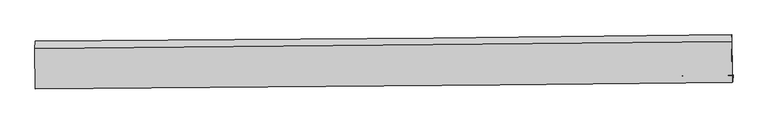
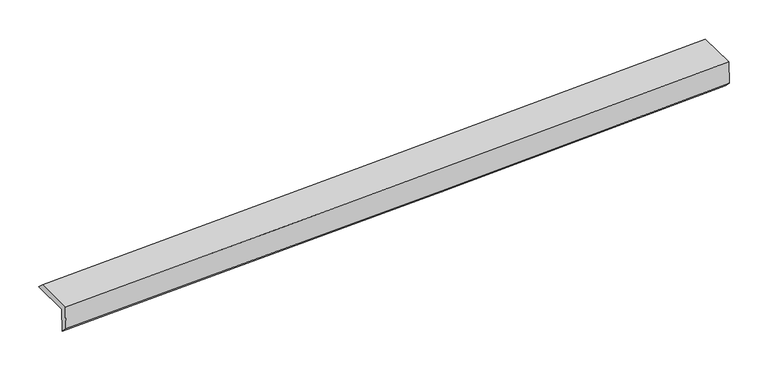
"""IFC4 building model written with IfcOpenShell, lengths in millimetres: proxy geometry."""

from ifc_helpers import new_model, si_unit, frame, origin, place, context, project, spatial, source, transform, mapped, element, save
from ifc_brep_helpers import plane_surface, spline_curve, spline_surface, advanced_brep


def generic_models_435abefc(model_context):
    return source(origin(), model_context, "Body", "AdvancedBrep", [
        advanced_brep(
        [(-5941.3166484, -1867.2098981, 1443.6330792), (-5954.8569329, -1871.0750371, 1848.176776), (5393.8690075, -1763.9219386, 2229.0482148), (5407.409292, -1760.0567995, 1824.504518), (-5943.8593923, -1980.9523204, 1555.8358735), (5404.8665481, -1873.7992218, 1936.7073123), (-5957.1195637, -1984.7374997, 1952.0106155), (5391.6063767, -1877.5844012, 2332.8820542), (-5964.4023529, -1326.967875, 1958.0513967), (5384.2128795, -1209.815811, 2339.0146634), (-5962.2036411, -1207.5323589, 1854.2705755), (5386.5222993, -1100.3792603, 2235.1420143)],
        [
            (0, 1),
            (1, 2, spline_curve(3, [(-5954.8569329, -1871.0750371, 1848.176776), (-3790.699382877, -1855.497578329, 1905.177632158), (-1626.870648569, -1837.14577785, 1971.106721916), (2155.893376538, -1800.207845201, 2101.990753181), (3774.973288513, -1782.841946828, 2163.018809239), (5393.8690075, -1763.9219386, 2229.0482148)], [4, 2, 4], [0.0, 21.308161728856923, 37.256182410104884])),
            (2, 3),
            (3, 0, spline_curve(3, [(5407.409292, -1760.0567995, 1824.504518), (3788.416096584, -1779.004632771, 1761.387426745), (2169.280433996, -1796.386445948, 1702.025027933), (-1613.516352956, -1833.333729898, 1572.119828349), (-3777.289336703, -1851.669616389, 1504.525079855), (-5941.3166484, -1867.2098981, 1443.6330792)], [4, 2, 4], [0.0, 15.94802068124796, 37.256182410104884])),
            (4, 0),
            (3, 5),
            (5, 4, spline_curve(3, [(5404.8665481, -1873.7992218, 1936.7073123), (3785.678399202, -1892.802705335, 1879.414848878), (2166.431235562, -1910.216346749, 1823.383766322), (-1616.431074497, -1947.182335389, 1695.436227334), (-3780.092558198, -1965.486393623, 1624.510163584), (-5943.8593923, -1980.9523204, 1555.8358735)], [4, 2, 4], [0.0, 15.947974433201065, 37.25607437000978])),
            (6, 4),
            (5, 7),
            (7, 6, spline_curve(3, [(5391.6063767, -1877.5844012, 2332.8820542), (3772.3207515, -1896.615710184, 2278.501904675), (2153.017837173, -1914.045265534, 2224.136480017), (-1629.877234855, -1951.02060632, 2097.167772377), (-3793.482967531, -1969.308749793, 2024.576050953), (-5957.1195637, -1984.7374997, 1952.0106155)], [4, 2, 4], [0.0, 15.947945885069803, 37.256007678700115])),
            (8, 6),
            (7, 9),
            (9, 8, spline_curve(3, [(5384.2128795, -1209.815811, 2339.0146634), (3764.915430886, -1227.779287753, 2284.644320396), (2145.612517273, -1245.208843195, 2230.278895906), (-1637.254935971, -1284.678747397, 2103.287278618), (-3800.823765596, -1306.299879675, 2030.664947699), (-5964.4023529, -1326.967875, 1958.0513967)], [4, 2, 4], [0.0, 15.947954111472676, 37.256026896405686])),
            (10, 8),
            (9, 11),
            (11, 10, spline_curve(3, [(5386.5222993, -1100.3792603, 2235.1420143), (3767.626580714, -1119.299268761, 2169.112608989), (2148.546667994, -1136.665167084, 2108.084552719), (-1634.21735631, -1173.603099539, 1977.200521365), (-3798.046090729, -1191.954899808, 1911.271431667), (-5962.2036411, -1207.5323589, 1854.2705755)], [4, 2, 4], [0.0, 15.947954111472676, 37.256026896405686])),
            (1, 10),
            (11, 2),
        ],
        [
            spline_surface(3, 3, [[(-5941.3166484, -1867.2098981, 1443.6330792), (-3777.289336764, -1851.669616569, 1504.525080161), (-1613.516352685, -1833.333729987, 1572.119828025), (2169.280433793, -1796.386445881, 1702.025028175), (3788.416096521, -1779.004632885, 1761.38742659), (5407.409292, -1760.0567995, 1824.504518)], [(-5945.830076575, -1868.498277768, 1578.480978119), (-3781.75935207, -1852.945603826, 1638.075930841), (-1617.967784517, -1834.604412503, 1705.115459389), (2164.818081306, -1797.66024575, 1835.346936465), (3783.935160559, -1780.283737496, 1895.264554197), (5402.895863825, -1761.345179168, 1959.352416919)], [(-5950.343504725, -1869.786657432, 1713.328877081), (-3786.229367353, -1854.221591079, 1771.626781564), (-1622.419216397, -1835.875094989, 1838.111090744), (2160.35572877, -1798.93404559, 1968.668844746), (3779.454224621, -1781.562842202, 2029.141681845), (5398.382435675, -1762.633558932, 2094.200315881)], [(-5954.8569329, -1871.0750371, 1848.176776), (-3790.699382659, -1855.497578336, 1905.177632244), (-1626.870648228, -1837.145777505, 1971.106722108), (2155.893376283, -1800.207845459, 2101.990753036), (3774.973288659, -1782.841946813, 2163.018809451), (5393.8690075, -1763.9219386, 2229.0482148)]], [4, 4], [4, 2, 4], [0.0, 1.3112959415318863], [0.0, 21.308161728856923, 37.256182410104884]),
            spline_surface(3, 3, [[(-5943.8593923, -1980.9523204, 1555.8358735), (-3780.092557873, -1965.486393335, 1624.510163893), (-1616.431074699, -1947.182335152, 1695.436227559), (2166.431235713, -1910.216346926, 1823.383766154), (3785.678399346, -1892.802705531, 1879.414848767), (5404.8665481, -1873.7992218, 1936.7073123)], [(-5943.011810987, -1943.038179636, 1518.434942089), (-3779.158150823, -1927.547467749, 1584.515136005), (-1615.4595007, -1909.232800083, 1654.330761037), (2167.380968401, -1872.273046563, 1782.930853484), (3786.590965084, -1854.870014652, 1840.072374731), (5405.714129413, -1835.885081036, 1899.306380889)], [(-5942.164229713, -1905.124038864, 1481.034010611), (-3778.223743814, -1889.608542155, 1544.520108049), (-1614.487926684, -1871.283265056, 1613.225294546), (2168.330701105, -1834.329746244, 1742.477940845), (3787.503530782, -1816.937323764, 1800.729900626), (5406.561710687, -1797.970940264, 1861.905449411)], [(-5941.3166484, -1867.2098981, 1443.6330792), (-3777.289336764, -1851.669616569, 1504.525080161), (-1613.516352685, -1833.333729987, 1572.119828025), (2169.280433793, -1796.386445881, 1702.025028175), (3788.416096521, -1779.004632885, 1761.38742659), (5407.409292, -1760.0567995, 1824.504518)]], [4, 4], [4, 2, 4], [0.0, 0.5485144580486558], [0.0, 21.308099936808713, 37.25607437000978]),
            spline_surface(3, 3, [[(-5957.1195637, -1984.7374997, 1952.0106155), (-3793.482967878, -1969.308749868, 2024.576050609), (-1629.877235056, -1951.020606034, 2097.167772275), (2153.017837323, -1914.045265748, 2224.136480093), (3772.320751308, -1896.615710103, 2278.501904606), (5391.6063767, -1877.5844012, 2332.8820542)], [(-5952.699506592, -1983.47577325, 1819.952368175), (-3789.019497901, -1968.034631006, 1891.220755045), (-1625.395181605, -1949.741182431, 1963.257257395), (2157.488970119, -1912.768959498, 2090.552242138), (3776.773300629, -1895.344708595, 2145.472885968), (5396.026433808, -1876.32267475, 2200.823806875)], [(-5948.279449408, -1982.21404685, 1687.894120825), (-3784.556027849, -1966.760512196, 1757.865459457), (-1620.91312815, -1948.461758755, 1829.346742439), (2161.960102918, -1911.492653175, 1956.968004108), (3781.225850025, -1894.073707039, 2012.443867405), (5400.446490992, -1875.06094825, 2068.765559625)], [(-5943.8593923, -1980.9523204, 1555.8358735), (-3780.092557873, -1965.486393335, 1624.510163893), (-1616.431074699, -1947.182335152, 1695.436227559), (2166.431235713, -1910.216346926, 1823.383766154), (3785.678399346, -1892.802705531, 1879.414848767), (5404.8665481, -1873.7992218, 1936.7073123)]], [4, 4], [4, 2, 4], [0.0, 1.3173239770178296], [0.0, 21.308061793630312, 37.256007678700115]),
            plane_surface(frame((-5960.7609583, -1655.8526874, 1955.0310061), z_axis=(-0.03345025430718573, -0.009548535143548805, 0.9993947698299193), x_axis=(0.01107079988756831, -0.999896551583243, -0.00918278398899821))),
            spline_surface(3, 3, [[(-5962.2036411, -1207.5323589, 1854.2705755), (-3798.046090859, -1191.954900136, 1911.271431744), (-1634.217356428, -1173.603099305, 1977.200521608), (2148.546668083, -1136.665167259, 2108.084552536), (3767.626580459, -1119.299268513, 2169.112608951), (5386.5222993, -1100.3792603, 2235.1420143)], [(-5962.936545036, -1247.344197621, 1888.864182587), (-3798.971982481, -1230.069893336, 1951.069270399), (-1635.229882838, -1210.628315304, 2019.229440622), (2147.568617738, -1172.846392567, 2148.816000317), (3766.722864012, -1155.459274853, 2207.623179466), (5385.752492697, -1136.858110516, 2269.766230667)], [(-5963.669448964, -1287.156036279, 1923.457789613), (-3799.897874095, -1268.184886473, 1990.867108992), (-1636.242409253, -1247.653531351, 2061.258359639), (2146.590567387, -1209.027617923, 2189.5474481), (3765.819147574, -1191.619281245, 2246.133749979), (5384.982686103, -1173.336960784, 2304.390447033)], [(-5964.4023529, -1326.967875, 1958.0513967), (-3800.823765717, -1306.299879673, 2030.664947646), (-1637.254935663, -1284.67874735, 2103.287278653), (2145.612517042, -1245.20884323, 2230.278895881), (3764.915431127, -1227.779287586, 2284.644320494), (5384.2128795, -1209.815811, 2339.0146634)]], [4, 4], [4, 2, 4], [0.0, 0.54516364489662], [0.0, 21.30807278493301, 37.256026896405686]),
            spline_surface(3, 3, [[(-5954.8569329, -1871.0750371, 1848.176776), (-3790.699382659, -1855.497578336, 1905.177632244), (-1626.870648228, -1837.145777505, 1971.106722108), (2155.893376283, -1800.207845459, 2101.990753036), (3774.973288659, -1782.841946813, 2163.018809451), (5393.8690075, -1763.9219386, 2229.0482148)], [(-5957.305835638, -1649.894144364, 1850.208042492), (-3793.148285397, -1634.3166856, 1907.208898736), (-1629.319550966, -1615.964884769, 1973.1379886), (2153.444473545, -1579.026952723, 2104.022019528), (3772.524385921, -1561.661054077, 2165.050075943), (5391.420104762, -1542.741045864, 2231.079481292)], [(-5959.754738362, -1428.713251636, 1852.239309008), (-3795.597188121, -1413.135792872, 1909.240165253), (-1631.768453691, -1394.783992041, 1975.169255117), (2150.995570821, -1357.846059995, 2106.053286044), (3770.075483196, -1340.480161249, 2167.08134246), (5388.971202038, -1321.560153036, 2233.110747808)], [(-5962.2036411, -1207.5323589, 1854.2705755), (-3798.046090859, -1191.954900136, 1911.271431744), (-1634.217356428, -1173.603099305, 1977.200521608), (2148.546668083, -1136.665167259, 2108.084552536), (3767.626580459, -1119.299268513, 2169.112608951), (5386.5222993, -1100.3792603, 2235.1420143)]], [4, 4], [4, 2, 4], [0.0, 2.177202518862514], [0.0, 21.30819389164541, 37.25623864502228]),
            plane_surface(frame((5394.7477338, -1597.5929054, 2149.5497962), z_axis=(0.9993790661588997, 0.010756933045789493, 0.0335525038531301), x_axis=(0.01107079988756831, -0.999896551583243, -0.00918278398899821))),
            plane_surface(frame((-5953.9597552, -1706.4124982, 1768.6630527), z_axis=(-0.9993790661588996, -0.01075693304579181, -0.03355250385313121), x_axis=(0.03345025430718574, 0.009548535143549131, -0.9993947698299191))),
        ],
        [
            (0, [[1, 2, 3, 4]]),
            (1, [[5, -4, 6, 7]]),
            (2, [[8, -7, 9, 10]]),
            (3, [[11, -10, 12, 13]]),
            (4, [[14, -13, 15, 16]]),
            (5, [[17, -16, 18, -2]]),
            (6, [[-12, -9, -6, -3, -18, -15]]),
            (7, [[-1, -5, -8, -11, -14, -17]]),
        ],
    ),
    ])


if __name__ == "__main__":
    model = new_model("IFC4")
    model_context = context("Model", 3, world=origin())
    ifc_project = project(units=[si_unit("LENGTHUNIT", "METRE", prefix="MILLI")], contexts=[model_context])
    site = spatial("IfcSite", under=ifc_project)
    building = spatial("IfcBuilding", under=site)
    placement = place(None, origin())
    generic_models_shape = generic_models_435abefc(model_context)
    element("IfcBuildingElementProxy", 1, Name="Generic Models", at=placement, inside=building, context=model_context, shape_type="MappedRepresentation", body=[
        mapped(generic_models_shape, transform((0.0, 0.0, 0.0), x_axis=(1.0, 0.0, 0.0), y_axis=(0.0, 1.0, 0.0), z_axis=(0.0, 0.0, 1.0))),
    ])
    save(model, "model.ifc")
